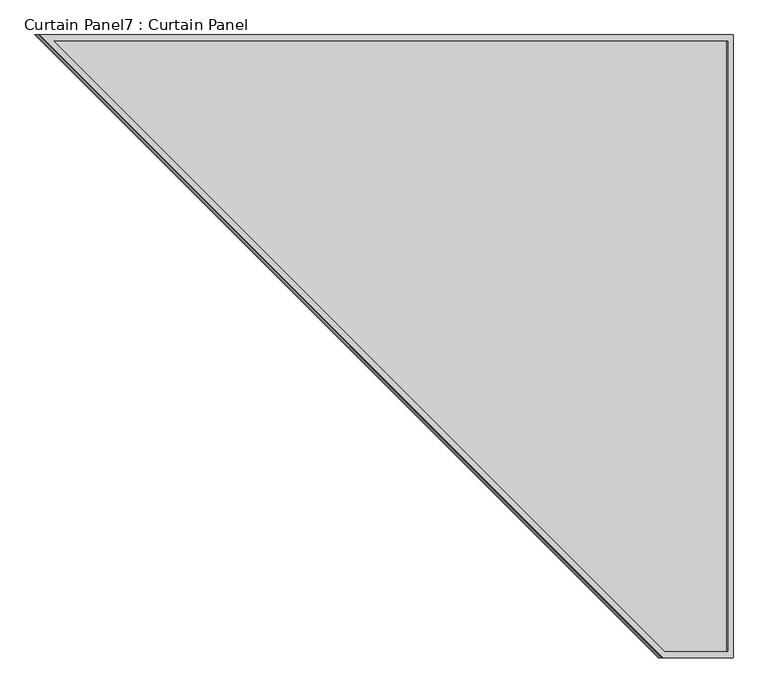
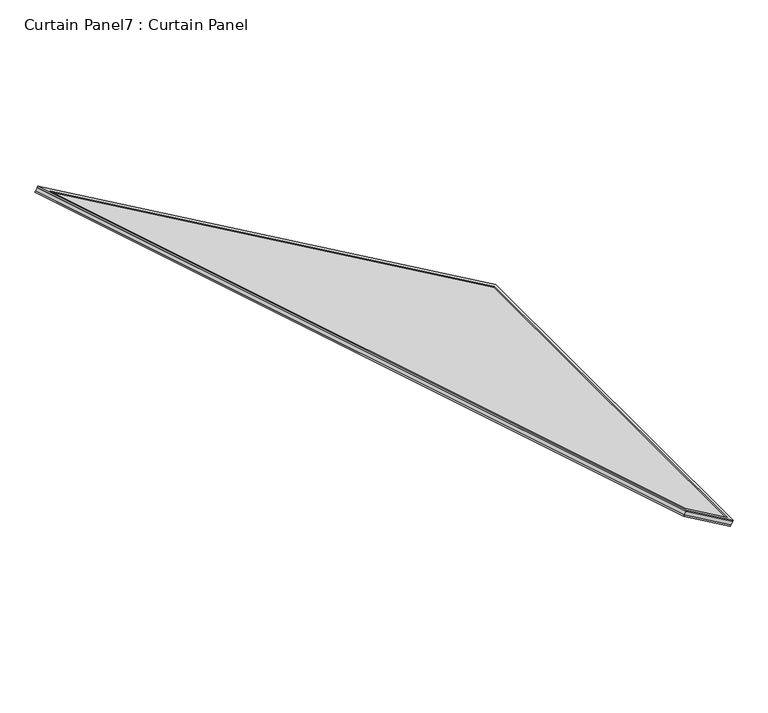
"""IFC4 building model written with IfcOpenShell, lengths in millimetres: plate geometry, Curtain Panel7 : Curtain Panel."""

from ifc_helpers import new_model, si_unit, frame, origin, place, context, project, spatial, polyline, outline, extrude, source, transform, mapped, element, save


def curtain_panel7_curtain_panel_5e3af0db(model_context):
    return source(origin(), model_context, "Body", "SweptSolid", [
        extrude(outline(polyline([(1974.9853364, -15.8877), (-15.8877, -15.8877), (-15.8877, 1533.5123), (185.8923222, 1533.5123), (1974.9853364, -15.8877)]), holes=[polyline([(179.9689954, 1517.6246), (0.0, 1517.6246), (0.0, 0.0), (1932.370938, 0.0), (179.9689954, 1517.6246)])]), frame((12120.0838385, -11316.5266432, 1699.876728), z_axis=(0.500000000000002, 0.0, 0.8660254037844375), x_axis=(-0.8660254037844375, 0.0, 0.500000000000002)), (0.0, 0.0, 1.0), 4.0739219),
        extrude(outline(polyline([(1979.7478364, -11.1252), (-11.1252, -11.1252), (-11.1252, 1538.2748), (190.6548222, 1538.2748), (1979.7478364, -11.1252)]), holes=[polyline([(186.5070729, 1527.1496), (0.0, 1527.1496), (0.0, 0.0), (1949.9075383, 0.0), (186.5070729, 1527.1496)])]), frame((12115.0057454, -11311.7641432, 1681.5562128), z_axis=(0.5000000000000019, 0.0, 0.8660254037844376), x_axis=(-0.8660254037844376, 0.0, 0.5000000000000019)), (0.0, 0.0, 1.0), 4.8121094),
        extrude(outline(polyline([(12.7, 0.0), (1562.1, 0.0), (1562.1, -201.7800222), (12.7, -1990.8730364), (12.7, 0.0)])), frame((12127.0465059, -11287.9389432, 1680.1610217), z_axis=(0.49999999999999867, 0.0, 0.8660254037844395), x_axis=(0.0, -1.0, 0.0)), (0.0, 0.0, 1.0), 13.5929688),
    ])


if __name__ == "__main__":
    model = new_model("IFC4")
    model_context = context("Model", 3, world=origin())
    ifc_project = project(units=[si_unit("LENGTHUNIT", "METRE", prefix="MILLI")], contexts=[model_context])
    site = spatial("IfcSite", under=ifc_project)
    building = spatial("IfcBuilding", under=site)
    placement = place(None, origin())
    curtain_panel7_curtain_panel_shape = curtain_panel7_curtain_panel_5e3af0db(model_context)
    element("IfcPlate", 1, ObjectType="Curtain Panel7 : Curtain Panel", at=placement, inside=building, context=model_context, shape_type="MappedRepresentation", body=[
        mapped(curtain_panel7_curtain_panel_shape, transform((0.0, 0.0, 0.0), x_axis=(1.0, 0.0, 0.0), y_axis=(0.0, 1.0, 0.0), z_axis=(0.0, 0.0, 1.0))),
    ])
    save(model, "model.ifc")
